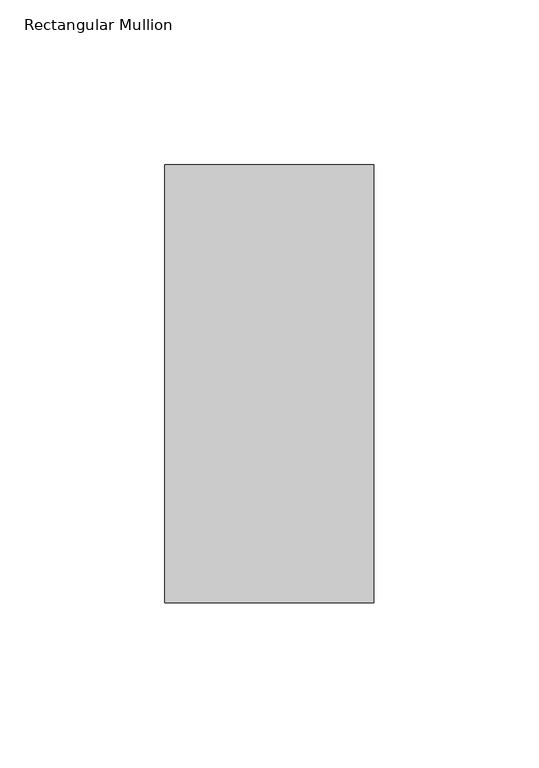
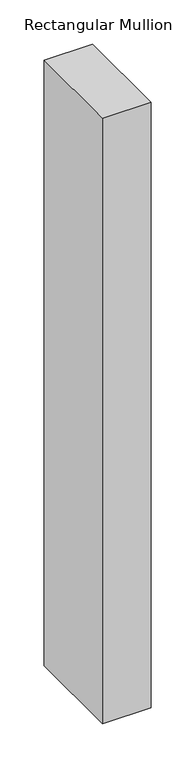
"""IFC4 building model written with IfcOpenShell, lengths in millimetres: member geometry, Rectangular Mullion."""

from ifc_helpers import new_model, si_unit, frame, origin, place, context, project, spatial, polyline, outline, extrude, source, transform, mapped, element, save


def rectangular_mullion_de04c255(model_context):
    return source(origin(), model_context, "Body", "SweptSolid", [
        extrude(outline(polyline([(-31.75, 190.0936), (31.75, 190.0936), (31.75, 57.15), (-31.75, 57.15), (-31.75, 190.0936)])), frame((0.0, 0.0, -838.1999991), z_axis=(0.0, 0.0, 1.0), x_axis=(1.0, 0.0, 0.0)), (0.0, 0.0, 1.0), 838.1999991),
    ])


if __name__ == "__main__":
    model = new_model("IFC4")
    model_context = context("Model", 3, world=origin())
    ifc_project = project(units=[si_unit("LENGTHUNIT", "METRE", prefix="MILLI")], contexts=[model_context])
    site = spatial("IfcSite", under=ifc_project)
    building = spatial("IfcBuilding", under=site)
    placement = place(None, origin())
    rectangular_mullion_shape = rectangular_mullion_de04c255(model_context)
    element("IfcMember", 1, ObjectType="Rectangular Mullion", at=placement, inside=building, context=model_context, shape_type="MappedRepresentation", body=[
        mapped(rectangular_mullion_shape, transform((0.0, 0.0, 0.0), x_axis=(1.0, 0.0, 0.0), y_axis=(0.0, 1.0, 0.0), z_axis=(0.0, 0.0, 1.0))),
    ])
    save(model, "model.ifc")
